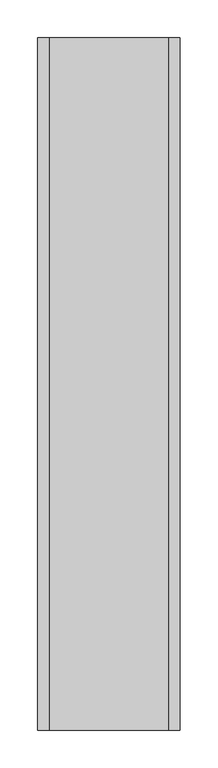
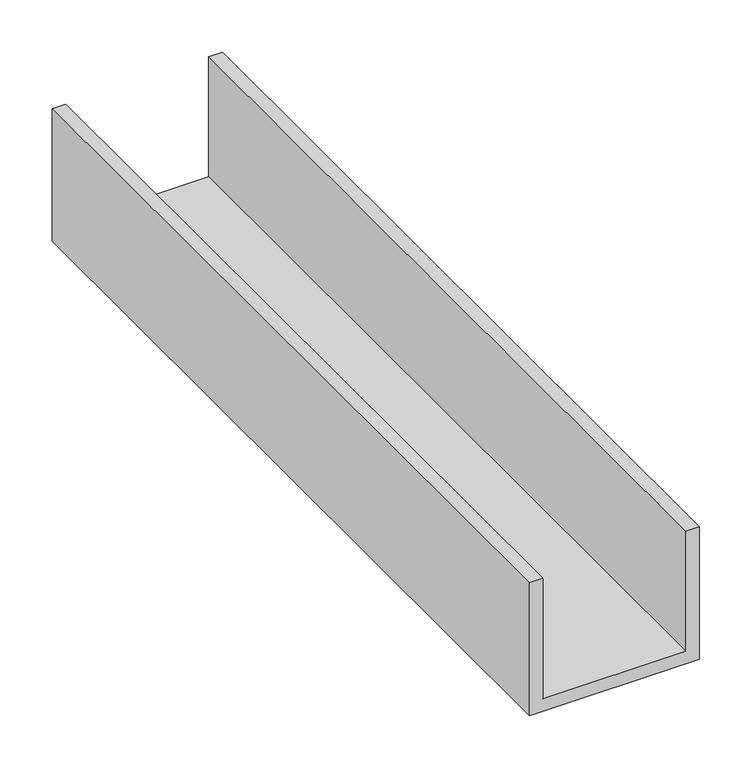
"""IFC4 building model written with IfcOpenShell, lengths in millimetres: proxy geometry."""

from ifc_helpers import new_model, si_unit, frame, origin, place, context, project, spatial, polyline, outline, extrude, source, transform, mapped, element, save


def generic_models_93f2112e(model_context):
    return source(origin(), model_context, "Body", "SweptSolid", [
        extrude(outline(polyline([(569.124393, 37851.8203125), (569.124393, 37836.8702086), (428.7992707, 37836.8702086), (428.7992707, 37678.46875), (569.124393, 37678.46875), (569.124393, 37663.5186461), (413.8491668, 37663.5186461), (413.8491668, 37851.8203125), (569.124393, 37851.8203125)])), frame((0.0, -19576.8264268, 0.0), z_axis=(0.0, 1.0, 0.0), x_axis=(0.0, 0.0, 1.0)), (0.0, 0.0, 1.0), 914.4),
    ])


if __name__ == "__main__":
    model = new_model("IFC4")
    model_context = context("Model", 3, world=origin())
    ifc_project = project(units=[si_unit("LENGTHUNIT", "METRE", prefix="MILLI")], contexts=[model_context])
    site = spatial("IfcSite", under=ifc_project)
    building = spatial("IfcBuilding", under=site)
    placement = place(None, origin())
    generic_models_shape = generic_models_93f2112e(model_context)
    element("IfcBuildingElementProxy", 1, Name="Generic Models", at=placement, inside=building, context=model_context, shape_type="MappedRepresentation", body=[
        mapped(generic_models_shape, transform((0.0, 0.0, 0.0), x_axis=(1.0, 0.0, 0.0), y_axis=(0.0, 1.0, 0.0), z_axis=(0.0, 0.0, 1.0))),
    ])
    save(model, "model.ifc")
